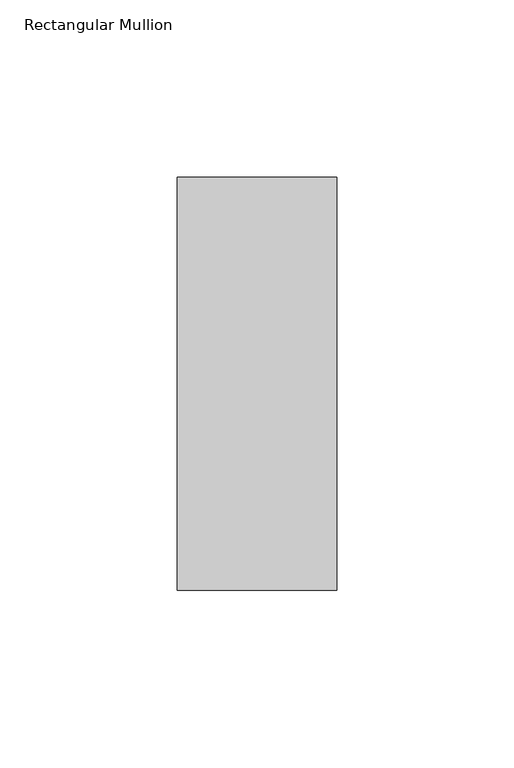
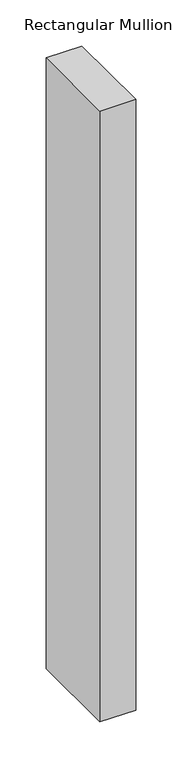
"""IFC4 building model written with IfcOpenShell, lengths in millimetres: member geometry, Rectangular Mullion."""

from ifc_helpers import new_model, si_unit, frame, origin, place, context, project, spatial, polyline, outline, extrude, source, transform, mapped, element, save


def rectangular_mullion_fcbe969a(model_context):
    return source(origin(), model_context, "Body", "SweptSolid", [
        extrude(outline(polyline([(0.0, 73.875), (0.0, -42.8257813), (-45.0453125, -42.8257813), (-45.0453125, 73.875), (0.0, 73.875)])), frame((0.0, 0.0, -810.1124175), z_axis=(0.0, 0.0, 1.0), x_axis=(1.0, 0.0, 0.0)), (0.0, 0.0, 1.0), 810.1124175),
    ])


if __name__ == "__main__":
    model = new_model("IFC4")
    model_context = context("Model", 3, world=origin())
    ifc_project = project(units=[si_unit("LENGTHUNIT", "METRE", prefix="MILLI")], contexts=[model_context])
    site = spatial("IfcSite", under=ifc_project)
    building = spatial("IfcBuilding", under=site)
    placement = place(None, origin())
    rectangular_mullion_shape = rectangular_mullion_fcbe969a(model_context)
    element("IfcMember", 1, ObjectType="Rectangular Mullion", at=placement, inside=building, context=model_context, shape_type="MappedRepresentation", body=[
        mapped(rectangular_mullion_shape, transform((0.0, 0.0, 0.0), x_axis=(1.0, 0.0, 0.0), y_axis=(0.0, 1.0, 0.0), z_axis=(0.0, 0.0, 1.0))),
    ])
    save(model, "model.ifc")
